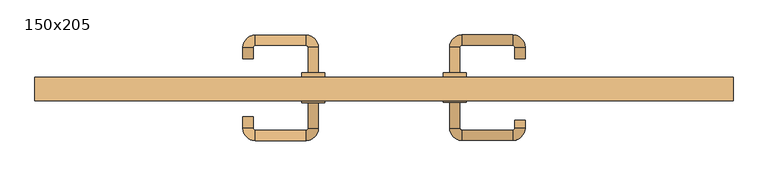
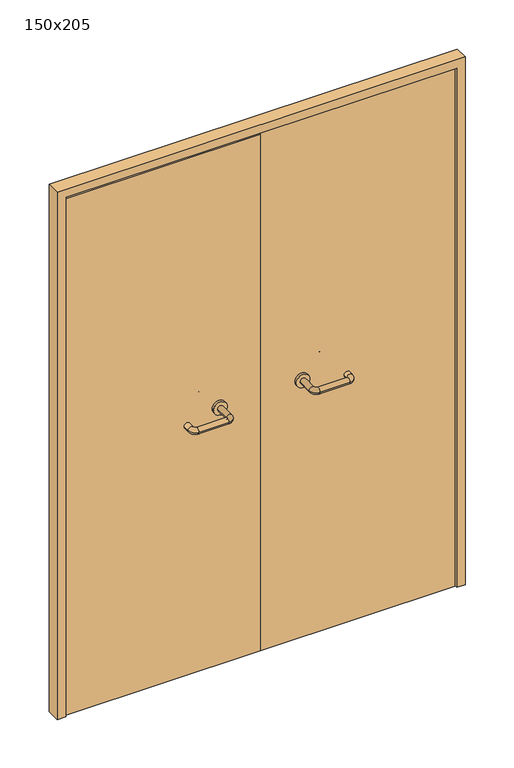
"""IFC4 building model written with IfcOpenShell, lengths in millimetres: door geometry, 150x205."""

from ifc_helpers import new_model, si_unit, point, frame, frame_2d, origin, place, context, project, spatial, polyline, circle_curve, ellipse_curve, trimmed, segment, composite_curve, outline, extrude, source, transform, mapped, element, save
from ifc_brep_helpers import plane_surface, cylinder_surface, revolved_surface, advanced_brep


def door_150x205_401c4c6c(model_context):
    return source(origin(), model_context, "Body", "SolidModel", [
        extrude(outline(polyline([(2050.0, -750.0), (0.0, -750.0), (0.0, -718.0), (2018.0, -718.0), (2018.0, 718.0), (0.0, 718.0), (0.0, 750.0), (2050.0, 750.0), (2050.0, -750.0)])), frame((0.0, 100.0, 0.0), z_axis=(0.0, 1.0, 0.0), x_axis=(0.0, 0.0, 1.0)), (0.0, 0.0, 1.0), 50.0),
        advanced_brep(
        [(140.99898, 96.0, 1003.0), (162.99898, 96.0, 1003.0), (140.99898, 40.6474631, 1003.0), (162.99898, 40.6474631, 1003.0), (166.99898, 36.6474631, 1003.0), (166.99898, 14.6474631, 1003.0), (276.99898, 14.6474631, 1003.0), (276.99898, 36.6474631, 1003.0), (280.99898, 40.6474631, 1003.0), (302.99898, 40.6474631, 1003.0), (302.99898, 58.0, 1003.0), (280.99898, 58.0, 1003.0)],
        [
            (0, 1, circle_curve(frame((151.99898, 96.0, 1003.0), z_axis=(0.0, 1.0, 0.0), x_axis=(1.0, 0.0, 0.0)), 11.0)),
            (1, 0, circle_curve(frame((151.99898, 96.0, 1003.0), z_axis=(0.0, 1.0, 0.0), x_axis=(1.0, 0.0, 0.0)), 11.0)),
            (0, 2),
            (2, 3, circle_curve(frame((151.99898, 40.6474631, 1003.0), z_axis=(0.0, 1.0, 0.0), x_axis=(1.0, 0.0, 0.0)), 11.0)),
            (3, 1),
            (3, 2, circle_curve(frame((151.99898, 40.6474631, 1003.0), z_axis=(0.0, 1.0, 0.0), x_axis=(1.0, 0.0, 0.0)), 11.0)),
            (4, 3, circle_curve(frame((166.99898, 40.6474631, 1003.0), z_axis=(0.0, 0.0, -1.0), x_axis=(-1.0, 0.0, 0.0)), 4.0)),
            (2, 5, circle_curve(frame((166.99898, 40.6474631, 1003.0), z_axis=(0.0, 0.0, 1.0), x_axis=(-1.0, 0.0, 0.0)), 26.0)),
            (5, 4, circle_curve(frame((166.99898, 25.6474631, 1003.0), z_axis=(-1.0, 0.0, 0.0), x_axis=(0.0, 1.0, 0.0)), 11.0)),
            (4, 5, circle_curve(frame((166.99898, 25.6474631, 1003.0), z_axis=(-1.0, 0.0, 0.0), x_axis=(0.0, 1.0, 0.0)), 11.0)),
            (5, 6),
            (6, 7, circle_curve(frame((276.99898, 25.6474631, 1003.0), z_axis=(-1.0, 0.0, 0.0), x_axis=(0.0, 1.0, 0.0)), 11.0)),
            (7, 4),
            (7, 6, circle_curve(frame((276.99898, 25.6474631, 1003.0), z_axis=(-1.0, 0.0, 0.0), x_axis=(0.0, 1.0, 0.0)), 11.0)),
            (8, 7, circle_curve(frame((276.99898, 40.6474631, 1003.0), z_axis=(0.0, 0.0, -1.0), x_axis=(0.0, -1.0, 0.0)), 4.0)),
            (6, 9, circle_curve(frame((276.99898, 40.6474631, 1003.0), z_axis=(0.0, 0.0, 1.0), x_axis=(0.0, -1.0, 0.0)), 26.0)),
            (9, 8, circle_curve(frame((291.99898, 40.6474631, 1003.0), z_axis=(0.0, -1.0, 0.0), x_axis=(-1.0, 0.0, 0.0)), 11.0)),
            (8, 9, circle_curve(frame((291.99898, 40.6474631, 1003.0), z_axis=(0.0, -1.0, 0.0), x_axis=(-1.0, 0.0, 0.0)), 11.0)),
            (10, 11, circle_curve(frame((291.99898, 58.0, 1003.0), z_axis=(0.0, 1.0, 0.0), x_axis=(-1.0, 0.0, 0.0)), 11.0)),
            (11, 10, circle_curve(frame((291.99898, 58.0, 1003.0), z_axis=(0.0, 1.0, 0.0), x_axis=(-1.0, 0.0, 0.0)), 11.0)),
            (9, 10),
            (11, 8),
        ],
        [
            plane_surface(frame((140.99898, 96.0, 1003.0), z_axis=(0.0, 1.0, 0.0), x_axis=(0.0, 0.0, -1.0))),
            cylinder_surface(frame((151.99898, 96.0, 1003.0), z_axis=(0.0, 1.0, 0.0), x_axis=(1.0, 0.0, 0.0)), 11.0),
            revolved_surface(trimmed(ellipse_curve(frame((151.99898, 40.6474631, 1003.0), z_axis=(0.0, 1.0, 0.0), x_axis=(1.0, 0.0, 0.0)), 11.0, 11.0), [point((140.99898, 40.6474631, 1003.0))], [point((162.99898, 40.6474631, 1003.0))], True, "CARTESIAN"), (166.99898, 40.6474631, 1003.0), (0.0, 0.0, 1.0)),
            revolved_surface(trimmed(ellipse_curve(frame((151.99898, 40.6474631, 1003.0), z_axis=(0.0, 1.0, 0.0), x_axis=(1.0, 0.0, 0.0)), 11.0, 11.0), [point((162.99898, 40.6474631, 1003.0))], [point((140.99898, 40.6474631, 1003.0))], True, "CARTESIAN"), (166.99898, 40.6474631, 1003.0), (0.0, 0.0, 1.0)),
            cylinder_surface(frame((166.99898, 25.6474631, 1003.0), z_axis=(-1.0, 0.0, 0.0), x_axis=(0.0, 1.0, 0.0)), 11.0),
            revolved_surface(trimmed(ellipse_curve(frame((276.99898, 25.6474631, 1003.0), z_axis=(-1.0, 0.0, 0.0), x_axis=(0.0, 1.0, 0.0)), 11.0, 11.0), [point((276.99898, 14.6474631, 1003.0))], [point((276.99898, 36.6474631, 1003.0))], True, "CARTESIAN"), (276.99898, 40.6474631, 1003.0), (0.0, 0.0, 1.0)),
            revolved_surface(trimmed(ellipse_curve(frame((276.99898, 25.6474631, 1003.0), z_axis=(-1.0, 0.0, 0.0), x_axis=(0.0, 1.0, 0.0)), 11.0, 11.0), [point((276.99898, 36.6474631, 1003.0))], [point((276.99898, 14.6474631, 1003.0))], True, "CARTESIAN"), (276.99898, 40.6474631, 1003.0), (0.0, 0.0, 1.0)),
            plane_surface(frame((280.99898, 58.0, 1003.0), z_axis=(0.0, 1.0, 0.0), x_axis=(0.0, 0.0, 1.0))),
            cylinder_surface(frame((291.99898, 40.6474631, 1003.0), z_axis=(0.0, -1.0, 0.0), x_axis=(-1.0, 0.0, 0.0)), 11.0),
        ],
        [
            (0, [[1, 2]]),
            (1, [[-1, 3, 4, 5]]),
            (1, [[-2, -5, 6, -3]]),
            (2, [[7, -4, 8, 9]]),
            (3, [[-8, -6, -7, 10]]),
            (4, [[-9, 11, 12, 13]]),
            (4, [[-10, -13, 14, -11]]),
            (5, [[15, -12, 16, 17]]),
            (6, [[-16, -14, -15, 18]]),
            (7, [[19, 20]]),
            (8, [[-17, 21, -20, 22]]),
            (8, [[-18, -22, -19, -21]]),
        ],
    ),
        extrude(outline(composite_curve([segment(trimmed(circle_curve(frame_2d((1003.0, 151.99898)), 25.0), [point((1003.0, 126.99898))], [point((1003.0, 176.99898))], False, "CARTESIAN"), True, "CONTINUOUS"), segment(trimmed(circle_curve(frame_2d((1003.0, 151.99898)), 25.0), [point((1003.0, 176.99898))], [point((1003.0, 126.99898))], False, "CARTESIAN"), True, "CONTINUOUS")], self_intersect=False)), frame((0.0, 96.0, 0.0), z_axis=(0.0, 1.0, 0.0), x_axis=(0.0, 0.0, 1.0)), (0.0, 0.0, 1.0), 10.0),
        advanced_brep(
        [(162.99898, 160.0, 1003.0), (140.99898, 160.0, 1003.0), (162.99898, 215.0, 1003.0), (140.99898, 215.0, 1003.0), (166.99898, 241.0, 1003.0), (166.99898, 219.0, 1003.0), (276.99898, 219.0, 1003.0), (276.99898, 241.0, 1003.0), (302.99898, 215.0, 1003.0), (280.99898, 215.0, 1003.0), (280.99898, 190.0, 1003.0), (302.99898, 190.0, 1003.0)],
        [
            (0, 1, circle_curve(frame((151.99898, 160.0, 1003.0), z_axis=(0.0, -1.0, 0.0), x_axis=(-1.0, 0.0, 0.0)), 11.0)),
            (1, 0, circle_curve(frame((151.99898, 160.0, 1003.0), z_axis=(0.0, -1.0, 0.0), x_axis=(-1.0, 0.0, 0.0)), 11.0)),
            (0, 2),
            (2, 3, circle_curve(frame((151.99898, 215.0, 1003.0), z_axis=(0.0, -1.0, 0.0), x_axis=(-1.0, 0.0, 0.0)), 11.0)),
            (3, 1),
            (3, 2, circle_curve(frame((151.99898, 215.0, 1003.0), z_axis=(0.0, -1.0, 0.0), x_axis=(-1.0, 0.0, 0.0)), 11.0)),
            (4, 3, circle_curve(frame((166.99898, 215.0, 1003.0), z_axis=(0.0, 0.0, 1.0), x_axis=(-1.0, 0.0, 0.0)), 26.0)),
            (2, 5, circle_curve(frame((166.99898, 215.0, 1003.0), z_axis=(0.0, 0.0, -1.0), x_axis=(-1.0, 0.0, 0.0)), 4.0)),
            (5, 4, circle_curve(frame((166.99898, 230.0, 1003.0), z_axis=(-1.0, 0.0, 0.0), x_axis=(0.0, 1.0, 0.0)), 11.0)),
            (4, 5, circle_curve(frame((166.99898, 230.0, 1003.0), z_axis=(-1.0, 0.0, 0.0), x_axis=(0.0, 1.0, 0.0)), 11.0)),
            (5, 6),
            (6, 7, circle_curve(frame((276.99898, 230.0, 1003.0), z_axis=(-1.0, 0.0, 0.0), x_axis=(0.0, 1.0, 0.0)), 11.0)),
            (7, 4),
            (7, 6, circle_curve(frame((276.99898, 230.0, 1003.0), z_axis=(-1.0, 0.0, 0.0), x_axis=(0.0, 1.0, 0.0)), 11.0)),
            (8, 7, circle_curve(frame((276.99898, 215.0, 1003.0), z_axis=(0.0, 0.0, 1.0), x_axis=(0.0, 1.0, 0.0)), 26.0)),
            (6, 9, circle_curve(frame((276.99898, 215.0, 1003.0), z_axis=(0.0, 0.0, -1.0), x_axis=(0.0, 1.0, 0.0)), 4.0)),
            (9, 8, circle_curve(frame((291.99898, 215.0, 1003.0), z_axis=(0.0, 1.0, 0.0), x_axis=(1.0, 0.0, 0.0)), 11.0)),
            (8, 9, circle_curve(frame((291.99898, 215.0, 1003.0), z_axis=(0.0, 1.0, 0.0), x_axis=(1.0, 0.0, 0.0)), 11.0)),
            (10, 11, circle_curve(frame((291.99898, 190.0, 1003.0), z_axis=(0.0, -1.0, 0.0), x_axis=(1.0, 0.0, 0.0)), 11.0)),
            (11, 10, circle_curve(frame((291.99898, 190.0, 1003.0), z_axis=(0.0, -1.0, 0.0), x_axis=(1.0, 0.0, 0.0)), 11.0)),
            (9, 10),
            (11, 8),
        ],
        [
            plane_surface(frame((140.99898, 160.0, 1003.0), z_axis=(0.0, -1.0, 0.0), x_axis=(0.0, 0.0, 1.0))),
            cylinder_surface(frame((151.99898, 160.0, 1003.0), z_axis=(0.0, -1.0, 0.0), x_axis=(-1.0, 0.0, 0.0)), 11.0),
            revolved_surface(trimmed(ellipse_curve(frame((151.99898, 215.0, 1003.0), z_axis=(0.0, -1.0, 0.0), x_axis=(-1.0, 0.0, 0.0)), 11.0, 11.0), [point((162.99898, 215.0, 1003.0))], [point((140.99898, 215.0, 1003.0))], True, "CARTESIAN"), (166.99898, 215.0, 1003.0), (0.0, 0.0, -1.0)),
            revolved_surface(trimmed(ellipse_curve(frame((151.99898, 215.0, 1003.0), z_axis=(0.0, -1.0, 0.0), x_axis=(-1.0, 0.0, 0.0)), 11.0, 11.0), [point((140.99898, 215.0, 1003.0))], [point((162.99898, 215.0, 1003.0))], True, "CARTESIAN"), (166.99898, 215.0, 1003.0), (0.0, 0.0, -1.0)),
            cylinder_surface(frame((166.99898, 230.0, 1003.0), z_axis=(-1.0, 0.0, 0.0), x_axis=(0.0, 1.0, 0.0)), 11.0),
            revolved_surface(trimmed(ellipse_curve(frame((276.99898, 230.0, 1003.0), z_axis=(-1.0, 0.0, 0.0), x_axis=(0.0, 1.0, 0.0)), 11.0, 11.0), [point((276.99898, 219.0, 1003.0))], [point((276.99898, 241.0, 1003.0))], True, "CARTESIAN"), (276.99898, 215.0, 1003.0), (0.0, 0.0, -1.0)),
            revolved_surface(trimmed(ellipse_curve(frame((276.99898, 230.0, 1003.0), z_axis=(-1.0, 0.0, 0.0), x_axis=(0.0, 1.0, 0.0)), 11.0, 11.0), [point((276.99898, 241.0, 1003.0))], [point((276.99898, 219.0, 1003.0))], True, "CARTESIAN"), (276.99898, 215.0, 1003.0), (0.0, 0.0, -1.0)),
            plane_surface(frame((280.99898, 190.0, 1003.0), z_axis=(0.0, -1.0, 0.0), x_axis=(0.0, 0.0, -1.0))),
            cylinder_surface(frame((291.99898, 215.0, 1003.0), z_axis=(0.0, 1.0, 0.0), x_axis=(1.0, 0.0, 0.0)), 11.0),
        ],
        [
            (0, [[1, 2]]),
            (1, [[-1, 3, 4, 5]]),
            (1, [[-2, -5, 6, -3]]),
            (2, [[7, -4, 8, 9]]),
            (3, [[-8, -6, -7, 10]]),
            (4, [[-9, 11, 12, 13]]),
            (4, [[-10, -13, 14, -11]]),
            (5, [[15, -12, 16, 17]]),
            (6, [[-16, -14, -15, 18]]),
            (7, [[19, 20]]),
            (8, [[-17, 21, -20, 22]]),
            (8, [[-18, -22, -19, -21]]),
        ],
    ),
        extrude(outline(composite_curve([segment(trimmed(circle_curve(frame_2d((1003.0, 151.99898)), 25.0), [point((1003.0, 176.99898))], [point((1003.0, 126.99898))], False, "CARTESIAN"), True, "CONTINUOUS"), segment(trimmed(circle_curve(frame_2d((1003.0, 151.99898)), 25.0), [point((1003.0, 126.99898))], [point((1003.0, 176.99898))], False, "CARTESIAN"), True, "CONTINUOUS")], self_intersect=False)), frame((0.0, 150.0, 0.0), z_axis=(0.0, 1.0, 0.0), x_axis=(0.0, 0.0, 1.0)), (0.0, 0.0, 1.0), 10.0),
        advanced_brep(
        [(-162.99898, 95.6886121, 1003.0), (-140.99898, 95.6886121, 1003.0), (-162.99898, 40.2779553, 1003.0), (-140.99898, 40.2779553, 1003.0), (-166.99898, 14.2779553, 1003.0), (-166.99898, 36.2779553, 1003.0), (-276.99898, 36.2779553, 1003.0), (-276.99898, 14.2779553, 1003.0), (-302.99898, 40.2779553, 1003.0), (-280.99898, 40.2779553, 1003.0), (-280.99898, 65.2779553, 1003.0), (-302.99898, 65.2779553, 1003.0)],
        [
            (0, 1, circle_curve(frame((-151.99898, 95.6886121, 1003.0), z_axis=(0.0, 1.0, 0.0), x_axis=(1.0, 0.0, 0.0)), 11.0)),
            (1, 0, circle_curve(frame((-151.99898, 95.6886121, 1003.0), z_axis=(0.0, 1.0, 0.0), x_axis=(1.0, 0.0, 0.0)), 11.0)),
            (0, 2),
            (2, 3, circle_curve(frame((-151.99898, 40.2779553, 1003.0), z_axis=(0.0, 1.0, 0.0), x_axis=(1.0, 0.0, 0.0)), 11.0)),
            (3, 1),
            (3, 2, circle_curve(frame((-151.99898, 40.2779553, 1003.0), z_axis=(0.0, 1.0, 0.0), x_axis=(1.0, 0.0, 0.0)), 11.0)),
            (4, 3, circle_curve(frame((-166.99898, 40.2779553, 1003.0), z_axis=(0.0, 0.0, 1.0), x_axis=(1.0, 0.0, 0.0)), 26.0)),
            (2, 5, circle_curve(frame((-166.99898, 40.2779553, 1003.0), z_axis=(0.0, 0.0, -1.0), x_axis=(1.0, 0.0, 0.0)), 4.0)),
            (5, 4, circle_curve(frame((-166.99898, 25.2779553, 1003.0), z_axis=(1.0, 0.0, 0.0), x_axis=(0.0, -1.0, 0.0)), 11.0)),
            (4, 5, circle_curve(frame((-166.99898, 25.2779553, 1003.0), z_axis=(1.0, 0.0, 0.0), x_axis=(0.0, -1.0, 0.0)), 11.0)),
            (5, 6),
            (6, 7, circle_curve(frame((-276.99898, 25.2779553, 1003.0), z_axis=(1.0, 0.0, 0.0), x_axis=(0.0, -1.0, 0.0)), 11.0)),
            (7, 4),
            (7, 6, circle_curve(frame((-276.99898, 25.2779553, 1003.0), z_axis=(1.0, 0.0, 0.0), x_axis=(0.0, -1.0, 0.0)), 11.0)),
            (8, 7, circle_curve(frame((-276.99898, 40.2779553, 1003.0), z_axis=(0.0, 0.0, 1.0), x_axis=(0.0, -1.0, 0.0)), 26.0)),
            (6, 9, circle_curve(frame((-276.99898, 40.2779553, 1003.0), z_axis=(0.0, 0.0, -1.0), x_axis=(0.0, -1.0, 0.0)), 4.0)),
            (9, 8, circle_curve(frame((-291.99898, 40.2779553, 1003.0), z_axis=(0.0, -1.0, 0.0), x_axis=(-1.0, 0.0, 0.0)), 11.0)),
            (8, 9, circle_curve(frame((-291.99898, 40.2779553, 1003.0), z_axis=(0.0, -1.0, 0.0), x_axis=(-1.0, 0.0, 0.0)), 11.0)),
            (10, 11, circle_curve(frame((-291.99898, 65.2779553, 1003.0), z_axis=(0.0, 1.0, 0.0), x_axis=(-1.0, 0.0, 0.0)), 11.0)),
            (11, 10, circle_curve(frame((-291.99898, 65.2779553, 1003.0), z_axis=(0.0, 1.0, 0.0), x_axis=(-1.0, 0.0, 0.0)), 11.0)),
            (9, 10),
            (11, 8),
        ],
        [
            plane_surface(frame((-162.99898, 95.6886121, 1003.0), z_axis=(0.0, 1.0, 0.0), x_axis=(0.0, 0.0, -1.0))),
            cylinder_surface(frame((-151.99898, 95.6886121, 1003.0), z_axis=(0.0, 1.0, 0.0), x_axis=(1.0, 0.0, 0.0)), 11.0),
            revolved_surface(trimmed(ellipse_curve(frame((-151.99898, 40.2779553, 1003.0), z_axis=(0.0, 1.0, 0.0), x_axis=(1.0, 0.0, 0.0)), 11.0, 11.0), [point((-162.99898, 40.2779553, 1003.0))], [point((-140.99898, 40.2779553, 1003.0))], True, "CARTESIAN"), (-166.99898, 40.2779553, 1003.0), (0.0, 0.0, -1.0)),
            revolved_surface(trimmed(ellipse_curve(frame((-151.99898, 40.2779553, 1003.0), z_axis=(0.0, 1.0, 0.0), x_axis=(1.0, 0.0, 0.0)), 11.0, 11.0), [point((-140.99898, 40.2779553, 1003.0))], [point((-162.99898, 40.2779553, 1003.0))], True, "CARTESIAN"), (-166.99898, 40.2779553, 1003.0), (0.0, 0.0, -1.0)),
            cylinder_surface(frame((-166.99898, 25.2779553, 1003.0), z_axis=(1.0, 0.0, 0.0), x_axis=(0.0, -1.0, 0.0)), 11.0),
            revolved_surface(trimmed(ellipse_curve(frame((-276.99898, 25.2779553, 1003.0), z_axis=(1.0, 0.0, 0.0), x_axis=(0.0, -1.0, 0.0)), 11.0, 11.0), [point((-276.99898, 36.2779553, 1003.0))], [point((-276.99898, 14.2779553, 1003.0))], True, "CARTESIAN"), (-276.99898, 40.2779553, 1003.0), (0.0, 0.0, -1.0)),
            revolved_surface(trimmed(ellipse_curve(frame((-276.99898, 25.2779553, 1003.0), z_axis=(1.0, 0.0, 0.0), x_axis=(0.0, -1.0, 0.0)), 11.0, 11.0), [point((-276.99898, 14.2779553, 1003.0))], [point((-276.99898, 36.2779553, 1003.0))], True, "CARTESIAN"), (-276.99898, 40.2779553, 1003.0), (0.0, 0.0, -1.0)),
            plane_surface(frame((-302.99898, 65.2779553, 1003.0), z_axis=(0.0, 1.0, 0.0), x_axis=(0.0, 0.0, 1.0))),
            cylinder_surface(frame((-291.99898, 40.2779553, 1003.0), z_axis=(0.0, -1.0, 0.0), x_axis=(-1.0, 0.0, 0.0)), 11.0),
        ],
        [
            (0, [[1, 2]]),
            (1, [[-1, 3, 4, 5]]),
            (1, [[-2, -5, 6, -3]]),
            (2, [[7, -4, 8, 9]]),
            (3, [[-8, -6, -7, 10]]),
            (4, [[-9, 11, 12, 13]]),
            (4, [[-10, -13, 14, -11]]),
            (5, [[15, -12, 16, 17]]),
            (6, [[-16, -14, -15, 18]]),
            (7, [[19, 20]]),
            (8, [[-17, 21, -20, 22]]),
            (8, [[-18, -22, -19, -21]]),
        ],
    ),
        extrude(outline(composite_curve([segment(trimmed(circle_curve(frame_2d((1003.0, -151.99898)), 25.0), [point((1003.0, -176.99898))], [point((1003.0, -126.99898))], False, "CARTESIAN"), True, "CONTINUOUS"), segment(trimmed(circle_curve(frame_2d((1003.0, -151.99898)), 25.0), [point((1003.0, -126.99898))], [point((1003.0, -176.99898))], False, "CARTESIAN"), True, "CONTINUOUS")], self_intersect=False)), frame((0.0, 95.6886121, 0.0), z_axis=(0.0, 1.0, 0.0), x_axis=(0.0, 0.0, 1.0)), (0.0, 0.0, 1.0), 10.3113879),
        advanced_brep(
        [(-140.99898, 159.5143417, 1003.0), (-162.99898, 159.5143417, 1003.0), (-140.99898, 214.6104656, 1003.0), (-162.99898, 214.6104656, 1003.0), (-166.99898, 218.6104656, 1003.0), (-166.99898, 240.6104656, 1003.0), (-276.99898, 240.6104656, 1003.0), (-276.99898, 218.6104656, 1003.0), (-280.99898, 214.6104656, 1003.0), (-302.99898, 214.6104656, 1003.0), (-302.99898, 189.6104656, 1003.0), (-280.99898, 189.6104656, 1003.0)],
        [
            (0, 1, circle_curve(frame((-151.99898, 159.5143417, 1003.0), z_axis=(0.0, -1.0, 0.0), x_axis=(-1.0, 0.0, 0.0)), 11.0)),
            (1, 0, circle_curve(frame((-151.99898, 159.5143417, 1003.0), z_axis=(0.0, -1.0, 0.0), x_axis=(-1.0, 0.0, 0.0)), 11.0)),
            (0, 2),
            (2, 3, circle_curve(frame((-151.99898, 214.6104656, 1003.0), z_axis=(0.0, -1.0, 0.0), x_axis=(-1.0, 0.0, 0.0)), 11.0)),
            (3, 1),
            (3, 2, circle_curve(frame((-151.99898, 214.6104656, 1003.0), z_axis=(0.0, -1.0, 0.0), x_axis=(-1.0, 0.0, 0.0)), 11.0)),
            (4, 3, circle_curve(frame((-166.99898, 214.6104656, 1003.0), z_axis=(0.0, 0.0, -1.0), x_axis=(1.0, 0.0, 0.0)), 4.0)),
            (2, 5, circle_curve(frame((-166.99898, 214.6104656, 1003.0), z_axis=(0.0, 0.0, 1.0), x_axis=(1.0, 0.0, 0.0)), 26.0)),
            (5, 4, circle_curve(frame((-166.99898, 229.6104656, 1003.0), z_axis=(1.0, 0.0, 0.0), x_axis=(0.0, -1.0, 0.0)), 11.0)),
            (4, 5, circle_curve(frame((-166.99898, 229.6104656, 1003.0), z_axis=(1.0, 0.0, 0.0), x_axis=(0.0, -1.0, 0.0)), 11.0)),
            (5, 6),
            (6, 7, circle_curve(frame((-276.99898, 229.6104656, 1003.0), z_axis=(1.0, 0.0, 0.0), x_axis=(0.0, -1.0, 0.0)), 11.0)),
            (7, 4),
            (7, 6, circle_curve(frame((-276.99898, 229.6104656, 1003.0), z_axis=(1.0, 0.0, 0.0), x_axis=(0.0, -1.0, 0.0)), 11.0)),
            (8, 7, circle_curve(frame((-276.99898, 214.6104656, 1003.0), z_axis=(0.0, 0.0, -1.0), x_axis=(0.0, 1.0, 0.0)), 4.0)),
            (6, 9, circle_curve(frame((-276.99898, 214.6104656, 1003.0), z_axis=(0.0, 0.0, 1.0), x_axis=(0.0, 1.0, 0.0)), 26.0)),
            (9, 8, circle_curve(frame((-291.99898, 214.6104656, 1003.0), z_axis=(0.0, 1.0, 0.0), x_axis=(1.0, 0.0, 0.0)), 11.0)),
            (8, 9, circle_curve(frame((-291.99898, 214.6104656, 1003.0), z_axis=(0.0, 1.0, 0.0), x_axis=(1.0, 0.0, 0.0)), 11.0)),
            (10, 11, circle_curve(frame((-291.99898, 189.6104656, 1003.0), z_axis=(0.0, -1.0, 0.0), x_axis=(1.0, 0.0, 0.0)), 11.0)),
            (11, 10, circle_curve(frame((-291.99898, 189.6104656, 1003.0), z_axis=(0.0, -1.0, 0.0), x_axis=(1.0, 0.0, 0.0)), 11.0)),
            (9, 10),
            (11, 8),
        ],
        [
            plane_surface(frame((-162.99898, 159.5143417, 1003.0), z_axis=(0.0, -1.0, 0.0), x_axis=(0.0, 0.0, 1.0))),
            cylinder_surface(frame((-151.99898, 159.5143417, 1003.0), z_axis=(0.0, -1.0, 0.0), x_axis=(-1.0, 0.0, 0.0)), 11.0),
            revolved_surface(trimmed(ellipse_curve(frame((-151.99898, 214.6104656, 1003.0), z_axis=(0.0, -1.0, 0.0), x_axis=(-1.0, 0.0, 0.0)), 11.0, 11.0), [point((-140.99898, 214.6104656, 1003.0))], [point((-162.99898, 214.6104656, 1003.0))], True, "CARTESIAN"), (-166.99898, 214.6104656, 1003.0), (0.0, 0.0, 1.0)),
            revolved_surface(trimmed(ellipse_curve(frame((-151.99898, 214.6104656, 1003.0), z_axis=(0.0, -1.0, 0.0), x_axis=(-1.0, 0.0, 0.0)), 11.0, 11.0), [point((-162.99898, 214.6104656, 1003.0))], [point((-140.99898, 214.6104656, 1003.0))], True, "CARTESIAN"), (-166.99898, 214.6104656, 1003.0), (0.0, 0.0, 1.0)),
            cylinder_surface(frame((-166.99898, 229.6104656, 1003.0), z_axis=(1.0, 0.0, 0.0), x_axis=(0.0, -1.0, 0.0)), 11.0),
            revolved_surface(trimmed(ellipse_curve(frame((-276.99898, 229.6104656, 1003.0), z_axis=(1.0, 0.0, 0.0), x_axis=(0.0, -1.0, 0.0)), 11.0, 11.0), [point((-276.99898, 240.6104656, 1003.0))], [point((-276.99898, 218.6104656, 1003.0))], True, "CARTESIAN"), (-276.99898, 214.6104656, 1003.0), (0.0, 0.0, 1.0)),
            revolved_surface(trimmed(ellipse_curve(frame((-276.99898, 229.6104656, 1003.0), z_axis=(1.0, 0.0, 0.0), x_axis=(0.0, -1.0, 0.0)), 11.0, 11.0), [point((-276.99898, 218.6104656, 1003.0))], [point((-276.99898, 240.6104656, 1003.0))], True, "CARTESIAN"), (-276.99898, 214.6104656, 1003.0), (0.0, 0.0, 1.0)),
            plane_surface(frame((-302.99898, 189.6104656, 1003.0), z_axis=(0.0, -1.0, 0.0), x_axis=(0.0, 0.0, -1.0))),
            cylinder_surface(frame((-291.99898, 214.6104656, 1003.0), z_axis=(0.0, 1.0, 0.0), x_axis=(1.0, 0.0, 0.0)), 11.0),
        ],
        [
            (0, [[1, 2]]),
            (1, [[-1, 3, 4, 5]]),
            (1, [[-2, -5, 6, -3]]),
            (2, [[7, -4, 8, 9]]),
            (3, [[-8, -6, -7, 10]]),
            (4, [[-9, 11, 12, 13]]),
            (4, [[-10, -13, 14, -11]]),
            (5, [[15, -12, 16, 17]]),
            (6, [[-16, -14, -15, 18]]),
            (7, [[19, 20]]),
            (8, [[-17, 21, -20, 22]]),
            (8, [[-18, -22, -19, -21]]),
        ],
    ),
        extrude(outline(composite_curve([segment(trimmed(circle_curve(frame_2d((1003.0, -151.99898)), 25.0), [point((1003.0, -126.99898))], [point((1003.0, -176.99898))], False, "CARTESIAN"), True, "CONTINUOUS"), segment(trimmed(circle_curve(frame_2d((1003.0, -151.99898)), 25.0), [point((1003.0, -176.99898))], [point((1003.0, -126.99898))], False, "CARTESIAN"), True, "CONTINUOUS")], self_intersect=False)), frame((0.0, 150.0, 0.0), z_axis=(0.0, 1.0, 0.0), x_axis=(0.0, 0.0, 1.0)), (0.0, 0.0, 1.0), 9.5143417),
        extrude(outline(polyline([(1.0739506, 106.0), (-715.0, 106.0), (-715.0, 150.0), (1.0739506, 150.0), (1.0739506, 106.0)])), frame((0.0, 0.0, 1.753223), z_axis=(0.0, 0.0, 1.0), x_axis=(1.0, 0.0, 0.0)), (0.0, 0.0, 1.0), 2007.246777),
        extrude(outline(polyline([(715.0, 106.0), (1.0739506, 106.0), (1.0739506, 150.0), (715.0, 150.0), (715.0, 106.0)])), frame((0.0, 0.0, 1.753223), z_axis=(0.0, 0.0, 1.0), x_axis=(1.0, 0.0, 0.0)), (0.0, 0.0, 1.0), 2016.246777),
    ])


if __name__ == "__main__":
    model = new_model("IFC4")
    model_context = context("Model", 3, world=origin())
    ifc_project = project(units=[si_unit("LENGTHUNIT", "METRE", prefix="MILLI")], contexts=[model_context])
    site = spatial("IfcSite", under=ifc_project)
    building = spatial("IfcBuilding", under=site)
    placement = place(None, origin())
    door_150x205_shape = door_150x205_401c4c6c(model_context)
    element("IfcDoor", 1, ObjectType="150x205", at=placement, inside=building, context=model_context, shape_type="MappedRepresentation", body=[
        mapped(door_150x205_shape, transform((0.0, 0.0, 0.0), x_axis=(1.0, 0.0, 0.0), y_axis=(0.0, 1.0, 0.0), z_axis=(0.0, 0.0, 1.0))),
    ])
    save(model, "model.ifc")
